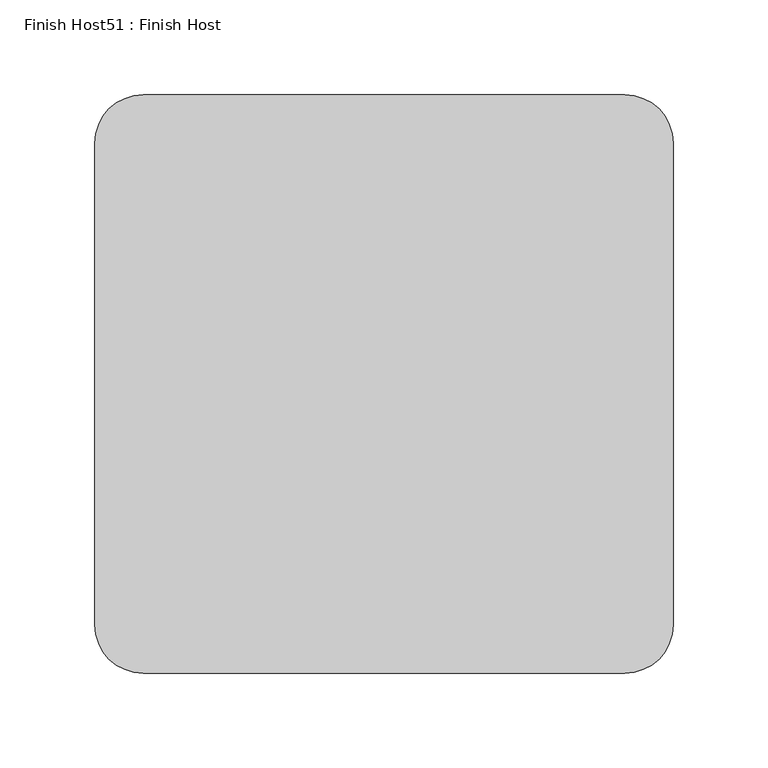
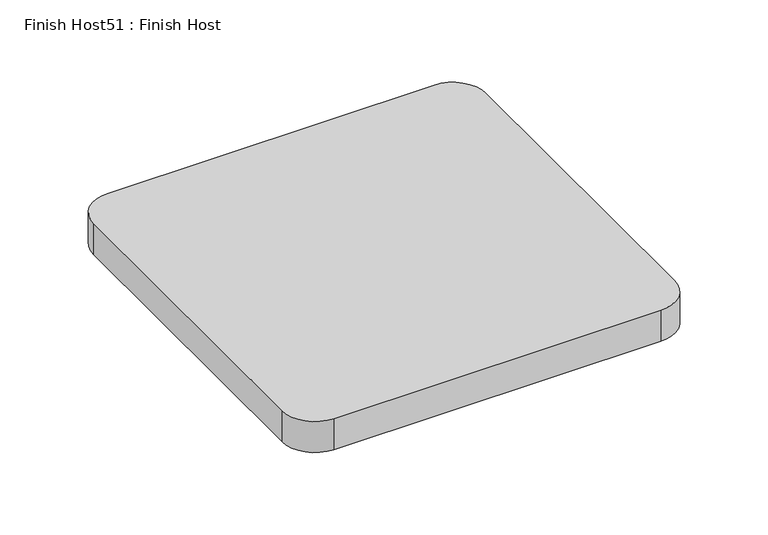
"""IFC4 building model written with IfcOpenShell, lengths in millimetres: proxy geometry, Finish Host51 : Finish Host."""

from ifc_helpers import new_model, si_unit, point, frame_2d, origin, origin_with_axes, place, context, project, spatial, polyline, circle_curve, trimmed, segment, composite_curve, outline, extrude, source, transform, mapped, element, save


def finish_host51_finish_host_c17eafe4(model_context):
    return source(origin(), model_context, "Body", "SweptSolid", [
        extrude(outline(composite_curve([segment(polyline([(7642.3478493, 1206.8122951), (7642.3478493, 1460.8122951)]), True, "CONTINUOUS"), segment(trimmed(circle_curve(frame_2d((7667.7478493, 1460.8122951)), 25.4), [point((7642.3478493, 1460.8122951))], [point((7667.7478493, 1486.2122951))], False, "CARTESIAN"), True, "CONTINUOUS"), segment(polyline([(7667.7478493, 1486.2122951), (7921.7478493, 1486.2122951)]), True, "CONTINUOUS"), segment(trimmed(circle_curve(frame_2d((7921.7478493, 1460.8122951)), 25.4), [point((7921.7478493, 1486.2122951))], [point((7947.1478493, 1460.8122951))], False, "CARTESIAN"), True, "CONTINUOUS"), segment(polyline([(7947.1478493, 1460.8122951), (7947.1478493, 1206.8122951)]), True, "CONTINUOUS"), segment(trimmed(circle_curve(frame_2d((7921.7478493, 1206.8122951)), 25.4), [point((7947.1478493, 1206.8122951))], [point((7921.7478493, 1181.4122951))], False, "CARTESIAN"), True, "CONTINUOUS"), segment(polyline([(7921.7478493, 1181.4122951), (7667.7478493, 1181.4122951)]), True, "CONTINUOUS"), segment(trimmed(circle_curve(frame_2d((7667.7478493, 1206.8122951)), 25.4), [point((7667.7478493, 1181.4122951))], [point((7642.3478493, 1206.8122951))], False, "CARTESIAN"), True, "CONTINUOUS")], self_intersect=False)), origin_with_axes(), (0.0, 0.0, 1.0), 25.4),
    ])


if __name__ == "__main__":
    model = new_model("IFC4")
    model_context = context("Model", 3, world=origin())
    ifc_project = project(units=[si_unit("LENGTHUNIT", "METRE", prefix="MILLI")], contexts=[model_context])
    site = spatial("IfcSite", under=ifc_project)
    building = spatial("IfcBuilding", under=site)
    placement = place(None, origin())
    finish_host51_finish_host_shape = finish_host51_finish_host_c17eafe4(model_context)
    element("IfcBuildingElementProxy", 1, Name="Finish Host51 : Finish Host", ObjectType="Finish Host51 : Finish Host", at=placement, inside=building, context=model_context, shape_type="MappedRepresentation", body=[
        mapped(finish_host51_finish_host_shape, transform((0.0, 0.0, 0.0), x_axis=(1.0, 0.0, 0.0), y_axis=(0.0, 1.0, 0.0), z_axis=(0.0, 0.0, 1.0))),
    ])
    save(model, "model.ifc")
